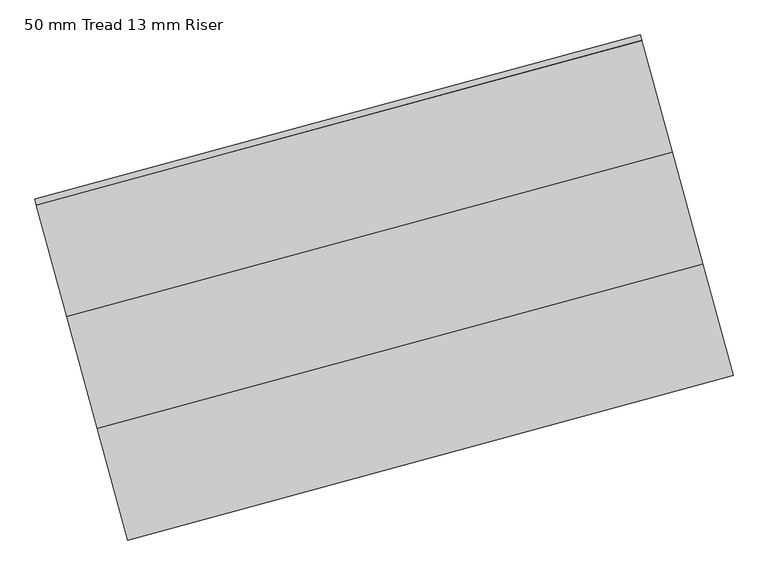
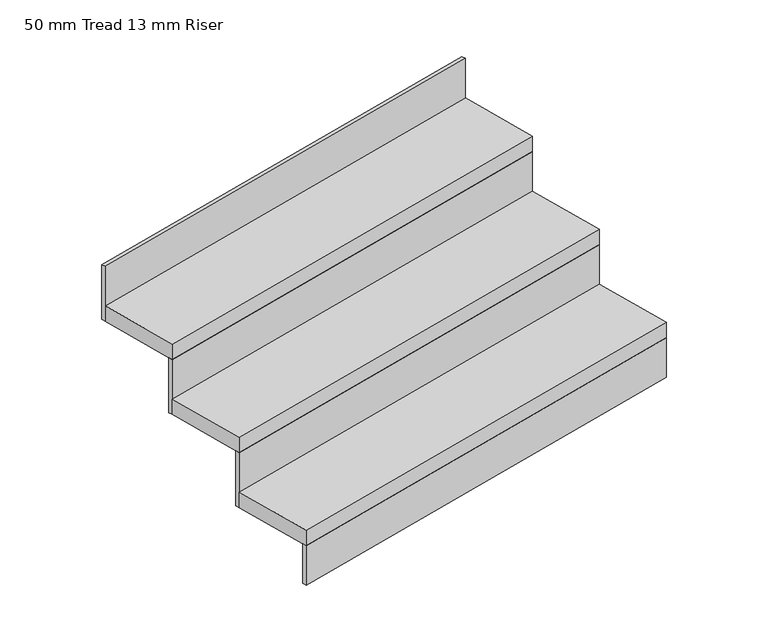
"""IFC4 building model written with IfcOpenShell, lengths in millimetres: stair flight geometry, 50 mm Tread 13 mm Riser."""

import ifcopenshell
import ifcopenshell.guid

model = None  # the IFC model being written
_history = None  # IfcOwnerHistory: only IFC2X3 demands one
_inside = {}  # id of a spatial element -> (the spatial element, [elements in it])
_under = {}  # id of a project, library or spatial element -> (it, [spatial elements below it])
_declared = {}  # id of a project -> (the project, [libraries it declares])
_typed = {}  # id of a type object -> (the type object, [elements of that type])
_made_of = {}  # id of a material, layer set ... -> (it, [elements and type objects made of it])


def new_model(schema):
    """Start an empty IFC model of exactly this schema.

    Asked for "IFC4X3", IfcOpenShell would pick the latest addendum, in which some entities
    have other attributes; the version numbers below select the first issue.
    IFC2X3 requires an IfcOwnerHistory on every rooted entity: one is made here for all.
    """
    global model, _history
    if schema == "IFC4X3":
        model = ifcopenshell.file(schema_version=(4, 3, 0, 0))
    else:
        model = ifcopenshell.file(schema=schema)
    _inside.clear()
    _under.clear()
    _declared.clear()
    _typed.clear()
    _made_of.clear()
    _history = None
    if model.schema == "IFC2X3":
        org = make("IfcOrganization", Name="unknown")
        user = make(
            "IfcPersonAndOrganization",
            ThePerson=make("IfcPerson", FamilyName="unknown"),
            TheOrganization=org,
        )
        app = make(
            "IfcApplication",
            ApplicationDeveloper=org,
            Version="unknown",
            ApplicationFullName="unknown",
            ApplicationIdentifier="unknown",
        )
        _history = make(
            "IfcOwnerHistory",
            OwningUser=user,
            OwningApplication=app,
            ChangeAction="ADDED",
            CreationDate=0,
        )
    return model


def make(cls, **values):
    """One entity of the class cls with the attributes given. An attribute that is None is left unset."""
    return model.create_entity(
        cls, **{name: value for name, value in values.items() if value is not None}
    )


def rooted(cls, **values):
    """An entity with a GlobalId (a new one), such as an element, a storey or a relation."""
    return make(cls, GlobalId=ifcopenshell.guid.new(), OwnerHistory=_history, **values)


def si_unit(unit_type, name, prefix=None):
    """IfcSIUnit, for example si_unit("LENGTHUNIT", "METRE", prefix="MILLI")."""
    return make("IfcSIUnit", UnitType=unit_type, Prefix=prefix, Name=name)


def assignment(units):
    """IfcUnitAssignment: the units of a project."""
    return None if units is None else make("IfcUnitAssignment", Units=units)


def point(xyz):
    """IfcCartesianPoint."""
    return None if xyz is None else make("IfcCartesianPoint", Coordinates=xyz)


def direction(xyz):
    """IfcDirection."""
    return None if xyz is None else make("IfcDirection", DirectionRatios=xyz)


def frame(location, z_axis=None, x_axis=None):
    """IfcAxis2Placement3D, a coordinate frame: its origin and axes. An axis left out is left unset."""
    return make(
        "IfcAxis2Placement3D",
        Location=point(location),
        Axis=direction(z_axis),
        RefDirection=direction(x_axis),
    )


def origin():
    """The frame at (0, 0, 0) with its axes left unset."""
    return frame((0.0, 0.0, 0.0))


def origin_with_axes():
    """The frame at (0, 0, 0) with the z axis (0, 0, 1) and the x axis (1, 0, 0) written out."""
    return frame((0.0, 0.0, 0.0), z_axis=(0.0, 0.0, 1.0), x_axis=(1.0, 0.0, 0.0))


def place(relative_to, where):
    """IfcLocalPlacement: puts the frame where relative to a parent placement (None: the world)."""
    return make(
        "IfcLocalPlacement", PlacementRelTo=relative_to, RelativePlacement=where
    )


def context(
    kind, dimensions, precision=None, world=None, true_north=None, identifier=None
):
    """IfcGeometricRepresentationContext, for example the 3D "Model" context."""
    return make(
        "IfcGeometricRepresentationContext",
        ContextIdentifier=identifier,
        ContextType=kind,
        CoordinateSpaceDimension=dimensions,
        Precision=precision,
        WorldCoordinateSystem=world,
        TrueNorth=true_north,
    )


def project(units=None, contexts=None):
    """IfcProject with its units and contexts."""
    return rooted(
        "IfcProject",
        Name="project",
        RepresentationContexts=contexts,
        UnitsInContext=assignment(units),
    )


def spatial(cls, under=None, at=None, **own):
    """A site, building, storey or space (cls), placed at a placement, below another one or the project."""
    s = rooted(cls, ObjectPlacement=at, **own)
    if under is not None:
        _under.setdefault(under.id(), (under, []))[1].append(s)
    return s


def polyline(points):
    """IfcPolyline through the points."""
    return make("IfcPolyline", Points=[point(p) for p in points])


def outline(outer, holes=None, kind="AREA"):
    """IfcArbitraryClosedProfileDef: a profile drawn as a closed curve; with holes, ...WithVoids."""
    if holes is None:
        return make("IfcArbitraryClosedProfileDef", ProfileType=kind, OuterCurve=outer)
    return make(
        "IfcArbitraryProfileDefWithVoids",
        ProfileType=kind,
        OuterCurve=outer,
        InnerCurves=holes,
    )


def extrude(swept, where, along, depth):
    """IfcExtrudedAreaSolid: the profile swept, set in the frame where, extruded along a direction by depth."""
    return make(
        "IfcExtrudedAreaSolid",
        SweptArea=swept,
        Position=where,
        ExtrudedDirection=direction(along),
        Depth=depth,
    )


def shape(context_of_items, identifier, shape_type, items):
    """IfcShapeRepresentation: the items that make up one representation, for example the "Body"."""
    return make(
        "IfcShapeRepresentation",
        ContextOfItems=context_of_items,
        RepresentationIdentifier=identifier,
        RepresentationType=shape_type,
        Items=items,
    )


def source(mapping_origin, context_of_items, identifier, shape_type, items):
    """IfcRepresentationMap: a shape defined once, which mapped items show again and again."""
    return make(
        "IfcRepresentationMap",
        MappingOrigin=mapping_origin,
        MappedRepresentation=shape(context_of_items, identifier, shape_type, items),
    )


def transform(
    local_origin,
    x_axis=None,
    y_axis=None,
    z_axis=None,
    scale=None,
    scale2=None,
    scale3=None,
    uniform=True,
):
    """IfcCartesianTransformationOperator3D, or its non-uniform kind. x_axis, y_axis, z_axis: its Axis1, 2, 3."""
    if uniform:
        return make(
            "IfcCartesianTransformationOperator3D",
            Axis1=direction(x_axis),
            Axis2=direction(y_axis),
            LocalOrigin=point(local_origin),
            Scale=scale,
            Axis3=direction(z_axis),
        )
    return make(
        "IfcCartesianTransformationOperator3DnonUniform",
        Axis1=direction(x_axis),
        Axis2=direction(y_axis),
        LocalOrigin=point(local_origin),
        Scale=scale,
        Axis3=direction(z_axis),
        Scale2=scale2,
        Scale3=scale3,
    )


def mapped(mapping_source, mapping_target):
    """IfcMappedItem: shows the shape of a source again, moved by a transform."""
    return make(
        "IfcMappedItem", MappingSource=mapping_source, MappingTarget=mapping_target
    )


def made_of(thing, what):
    """Note that an element or type object is made of a material, layer set ...; save() writes the relation."""
    if what is not None:
        _made_of.setdefault(what.id(), (what, []))[1].append(thing)
    return thing


def element(
    cls,
    number,
    at=None,
    inside=None,
    cuts=None,
    type_object=None,
    material=None,
    context=None,
    identifier="Body",
    shape_type=None,
    held_by="IfcProductDefinitionShape",
    body=None,
    shapes=None,
    **own,
):
    """One element of the class cls, such as IfcWall. Its Tag is "e" and its number.

    at: its placement. inside: the storey or other place that contains it. cuts: it is an
    opening in that element (IfcRelVoidsElement). A single representation is given by context,
    identifier, shape_type and body (its items); several are given by shapes. held_by: the class
    of the entity that holds the representations. save() writes the other relations.
    """
    e = rooted(cls, Tag="e%d" % number, ObjectPlacement=at, **own)
    if body is not None:
        shapes = [shape(context, identifier, shape_type, body)]
    if shapes is not None:
        e.Representation = make(held_by, Representations=shapes)
    if inside is not None:
        _inside.setdefault(inside.id(), (inside, []))[1].append(e)
    if cuts is not None:
        rooted(
            "IfcRelVoidsElement", RelatingBuildingElement=cuts, RelatedOpeningElement=e
        )
    if type_object is not None:
        _typed.setdefault(type_object.id(), (type_object, []))[1].append(e)
    return made_of(e, material)


def aggregate(whole, parts):
    """IfcRelAggregates: a whole, such as a stair, and the parts it consists of."""
    return rooted("IfcRelAggregates", RelatingObject=whole, RelatedObjects=parts)


def save(model, path):
    """Write the relations noted so far, then the file.

    IfcRelAggregates (storeys below a building ...), IfcRelContainedInSpatialStructure (elements
    in a storey), IfcRelDefinesByType, IfcRelAssociatesMaterial and IfcRelDeclares: one each for
    every whole, place, type object, material and project.
    """
    for whole, parts in _under.values():
        aggregate(whole, parts)
    for where, things in _inside.values():
        rooted(
            "IfcRelContainedInSpatialStructure",
            RelatedElements=things,
            RelatingStructure=where,
        )
    for kind, things in _typed.values():
        rooted("IfcRelDefinesByType", RelatedObjects=things, RelatingType=kind)
    for what, things in _made_of.values():
        rooted("IfcRelAssociatesMaterial", RelatedObjects=things, RelatingMaterial=what)
    for by, libraries in _declared.values():
        rooted("IfcRelDeclares", RelatingContext=by, RelatedDefinitions=libraries)
    model.write(path)


def stair_flight_50_mm_tread_13_mm_riser_abd7af47(model_context):
    return source(origin(), model_context, "Body", "SweptSolid", [
        extrude(outline(polyline([(87071.5487012, -99927.6596442), (87074.8273117, -99939.7220118), (85768.3829212, -100294.8199802), (85765.1043108, -100282.7576125), (87071.5487012, -99927.6596442)])), origin_with_axes(), (0.0, 0.0, 1.0), 127.7777778),
        extrude(outline(polyline([(85702.810712, -100053.5726271), (87009.2551025, -99698.4746587), (87074.8273117, -99939.7220118), (85768.3829212, -100294.8199802), (85702.810712, -100053.5726271)])), frame((0.0, 0.0, 127.7777778), z_axis=(0.0, 0.0, 1.0), x_axis=(1.0, 0.0, 0.0)), (0.0, 0.0, 1.0), 50.0),
        extrude(outline(polyline([(87005.976492, -99686.4122911), (87009.2551025, -99698.4746587), (85702.810712, -100053.5726271), (85699.5321015, -100041.5102595), (87005.976492, -99686.4122911)])), frame((0.0, 0.0, 127.7777778), z_axis=(0.0, 0.0, 1.0), x_axis=(1.0, 0.0, 0.0)), (0.0, 0.0, 1.0), 177.7777778),
        extrude(outline(polyline([(85637.2385027, -99812.325274), (86943.6828932, -99457.2273056), (87009.2551025, -99698.4746587), (85702.810712, -100053.5726271), (85637.2385027, -99812.325274)])), frame((0.0, 0.0, 305.5555556), z_axis=(0.0, 0.0, 1.0), x_axis=(1.0, 0.0, 0.0)), (0.0, 0.0, 1.0), 50.0),
        extrude(outline(polyline([(86940.4042827, -99445.164938), (86943.6828932, -99457.2273056), (85637.2385027, -99812.325274), (85633.9598923, -99800.2629064), (86940.4042827, -99445.164938)])), frame((0.0, 0.0, 305.5555556), z_axis=(0.0, 0.0, 1.0), x_axis=(1.0, 0.0, 0.0)), (0.0, 0.0, 1.0), 177.7777778),
        extrude(outline(polyline([(86874.8320735, -99203.9175849), (86878.1106839, -99215.9799526), (85571.6662935, -99571.0779209), (85568.387683, -99559.0155533), (86874.8320735, -99203.9175849)])), frame((0.0, 0.0, 483.3333333), z_axis=(0.0, 0.0, 1.0), x_axis=(1.0, 0.0, 0.0)), (0.0, 0.0, 1.0), 177.7777778),
        extrude(outline(polyline([(85571.6662935, -99571.0779209), (86878.1106839, -99215.9799526), (86943.6828932, -99457.2273056), (85637.2385027, -99812.325274), (85571.6662935, -99571.0779209)])), frame((0.0, 0.0, 483.3333333), z_axis=(0.0, 0.0, 1.0), x_axis=(1.0, 0.0, 0.0)), (0.0, 0.0, 1.0), 50.0),
    ])


if __name__ == "__main__":
    model = new_model("IFC4")
    model_context = context("Model", 3, world=origin())
    ifc_project = project(units=[si_unit("LENGTHUNIT", "METRE", prefix="MILLI")], contexts=[model_context])
    site = spatial("IfcSite", under=ifc_project)
    building = spatial("IfcBuilding", under=site)
    placement = place(None, origin())
    stair_flight_50_mm_tread_13_mm_riser_shape = stair_flight_50_mm_tread_13_mm_riser_abd7af47(model_context)
    element("IfcStairFlight", 1, ObjectType="50 mm Tread 13 mm Riser", at=placement, inside=building, context=model_context, shape_type="MappedRepresentation", body=[
        mapped(stair_flight_50_mm_tread_13_mm_riser_shape, transform((0.0, 0.0, 0.0), x_axis=(1.0, 0.0, 0.0), y_axis=(0.0, 1.0, 0.0), z_axis=(0.0, 0.0, 1.0))),
    ])
    save(model, "model.ifc")
